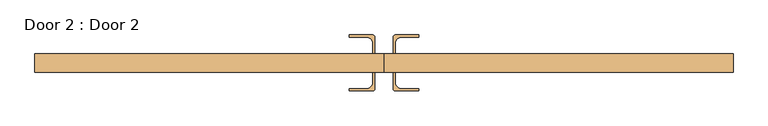
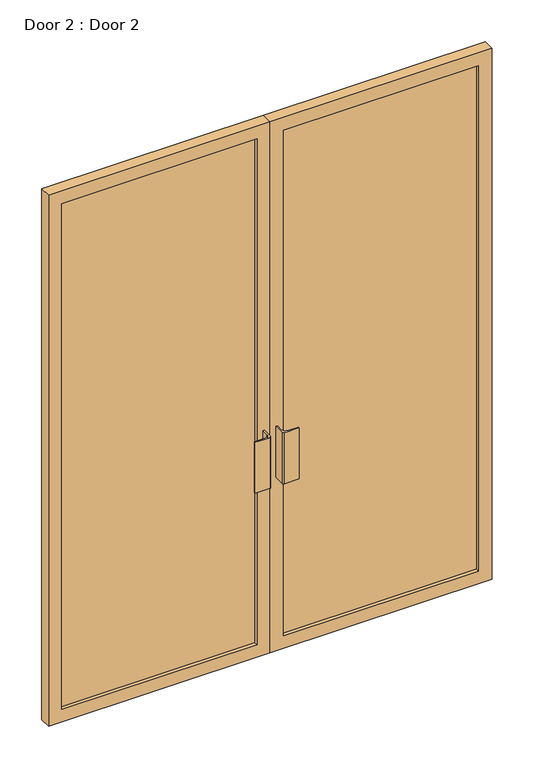
"""IFC4 building model written with IfcOpenShell, lengths in millimetres: door geometry, Door 2 : Door 2."""

from ifc_helpers import new_model, si_unit, point, frame, frame_2d, origin, place, context, project, spatial, polyline, circle_curve, trimmed, segment, composite_curve, outline, extrude, source, transform, mapped, element, save


def door_2_door_2_c7f3ee8a(model_context):
    return source(origin(), model_context, "Body", "SweptSolid", [
        extrude(outline(composite_curve([segment(polyline([(-25.0, 25.0), (-30.5, 25.0), (-30.5, 52.5)]), True, "CONTINUOUS"), segment(trimmed(circle_curve(frame_2d((-48.5, 52.5)), 18.0), [point((-30.5, 52.5))], [point((-48.5, 70.5))], True, "CARTESIAN"), True, "CONTINUOUS"), segment(polyline([(-48.5, 70.5), (-94.0, 70.5), (-94.0, 76.0), (-31.0, 76.0)]), True, "CONTINUOUS"), segment(trimmed(circle_curve(frame_2d((-31.0, 70.0)), 6.0), [point((-31.0, 76.0))], [point((-25.0, 70.0))], False, "CARTESIAN"), True, "CONTINUOUS"), segment(polyline([(-25.0, 70.0), (-25.0, 25.0)]), True, "CONTINUOUS")], self_intersect=False)), frame((0.0, 0.0, 785.0), z_axis=(0.0, 0.0, 1.0), x_axis=(1.0, 0.0, 0.0)), (0.0, 0.0, 1.0), 230.0),
        extrude(outline(composite_curve([segment(polyline([(-25.0, -25.0), (-25.0, -70.0)]), True, "CONTINUOUS"), segment(trimmed(circle_curve(frame_2d((-31.0, -70.0)), 6.0), [point((-25.0, -70.0))], [point((-31.0, -76.0))], False, "CARTESIAN"), True, "CONTINUOUS"), segment(polyline([(-31.0, -76.0), (-94.0, -76.0), (-94.0, -70.5), (-48.5, -70.5)]), True, "CONTINUOUS"), segment(trimmed(circle_curve(frame_2d((-48.5, -52.5)), 18.0), [point((-48.5, -70.5))], [point((-30.5, -52.5))], True, "CARTESIAN"), True, "CONTINUOUS"), segment(polyline([(-30.5, -52.5), (-30.5, -25.0), (-25.0, -25.0)]), True, "CONTINUOUS")], self_intersect=False)), frame((0.0, 0.0, 785.0), z_axis=(0.0, 0.0, 1.0), x_axis=(1.0, 0.0, 0.0)), (0.0, 0.0, 1.0), 230.0),
        extrude(outline(composite_curve([segment(polyline([(25.0, 25.0), (25.0, 70.0)]), True, "CONTINUOUS"), segment(trimmed(circle_curve(frame_2d((31.0, 70.0)), 6.0), [point((25.0, 70.0))], [point((31.0, 76.0))], False, "CARTESIAN"), True, "CONTINUOUS"), segment(polyline([(31.0, 76.0), (94.0, 76.0), (94.0, 70.5), (48.5, 70.5)]), True, "CONTINUOUS"), segment(trimmed(circle_curve(frame_2d((48.5, 52.5)), 18.0), [point((48.5, 70.5))], [point((30.5, 52.5))], True, "CARTESIAN"), True, "CONTINUOUS"), segment(polyline([(30.5, 52.5), (30.5, 25.0), (25.0, 25.0)]), True, "CONTINUOUS")], self_intersect=False)), frame((0.0, 0.0, 785.0), z_axis=(0.0, 0.0, 1.0), x_axis=(1.0, 0.0, 0.0)), (0.0, 0.0, 1.0), 230.0),
        extrude(outline(composite_curve([segment(polyline([(25.0, -25.0), (30.5, -25.0), (30.5, -52.5)]), True, "CONTINUOUS"), segment(trimmed(circle_curve(frame_2d((48.5, -52.5)), 18.0), [point((30.5, -52.5))], [point((48.5, -70.5))], True, "CARTESIAN"), True, "CONTINUOUS"), segment(polyline([(48.5, -70.5), (94.0, -70.5), (94.0, -76.0), (31.0, -76.0)]), True, "CONTINUOUS"), segment(trimmed(circle_curve(frame_2d((31.0, -70.0)), 6.0), [point((31.0, -76.0))], [point((25.0, -70.0))], False, "CARTESIAN"), True, "CONTINUOUS"), segment(polyline([(25.0, -70.0), (25.0, -25.0)]), True, "CONTINUOUS")], self_intersect=False)), frame((0.0, 0.0, 785.0), z_axis=(0.0, 0.0, 1.0), x_axis=(1.0, 0.0, 0.0)), (0.0, 0.0, 1.0), 230.0),
        extrude(outline(polyline([(2400.3, 948.8811964), (2400.3, 0.0), (0.0, 0.0), (0.0, 948.8811964), (2400.3, 948.8811964)]), holes=[polyline([(2343.15, 891.7311964), (57.15, 891.7311964), (57.15, 56.94375), (2343.15, 56.94375), (2343.15, 891.7311964)])]), frame((0.0, -25.0, 0.0), z_axis=(0.0, 1.0, 0.0), x_axis=(0.0, 0.0, 1.0)), (0.0, 0.0, 1.0), 50.0),
        extrude(outline(polyline([(891.7311964, -10.0), (56.94375, -10.0), (56.94375, 10.0), (891.7311964, 10.0), (891.7311964, -10.0)])), frame((0.0, 0.0, 57.15), z_axis=(0.0, 0.0, 1.0), x_axis=(1.0, 0.0, 0.0)), (0.0, 0.0, 1.0), 2286.0),
        extrude(outline(polyline([(-56.94375, -10.0), (-891.7311964, -10.0), (-891.7311964, 10.0), (-56.94375, 10.0), (-56.94375, -10.0)])), frame((0.0, 0.0, 57.15), z_axis=(0.0, 0.0, 1.0), x_axis=(1.0, 0.0, 0.0)), (0.0, 0.0, 1.0), 2286.0),
        extrude(outline(polyline([(2400.3, 0.0), (2400.3, -948.8811964), (0.0, -948.8811964), (0.0, 0.0), (2400.3, 0.0)]), holes=[polyline([(2343.15, -891.7311964), (2343.15, -56.94375), (57.15, -56.94375), (57.15, -891.7311964), (2343.15, -891.7311964)])]), frame((0.0, -25.0, 0.0), z_axis=(0.0, 1.0, 0.0), x_axis=(0.0, 0.0, 1.0)), (0.0, 0.0, 1.0), 50.0),
    ])


if __name__ == "__main__":
    model = new_model("IFC4")
    model_context = context("Model", 3, world=origin())
    ifc_project = project(units=[si_unit("LENGTHUNIT", "METRE", prefix="MILLI")], contexts=[model_context])
    site = spatial("IfcSite", under=ifc_project)
    building = spatial("IfcBuilding", under=site)
    placement = place(None, origin())
    door_2_door_2_shape = door_2_door_2_c7f3ee8a(model_context)
    element("IfcDoor", 1, ObjectType="Door 2 : Door 2", at=placement, inside=building, context=model_context, shape_type="MappedRepresentation", body=[
        mapped(door_2_door_2_shape, transform((0.0, 0.0, 0.0), x_axis=(1.0, 0.0, 0.0), y_axis=(0.0, 1.0, 0.0), z_axis=(0.0, 0.0, 1.0))),
    ])
    save(model, "model.ifc")
